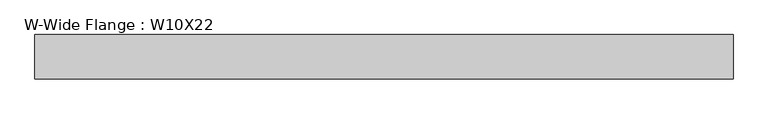
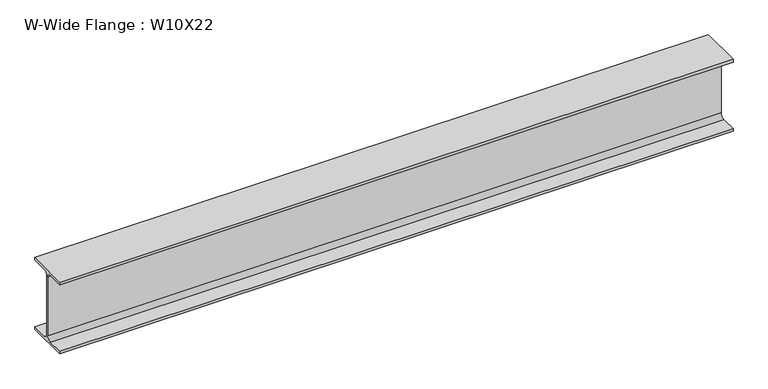
"""IFC4 building model written with IfcOpenShell, lengths in millimetres: beam geometry, W-Wide Flange : W10X22."""

import ifcopenshell
import ifcopenshell.guid

model = None  # the IFC model being written
_history = None  # IfcOwnerHistory: only IFC2X3 demands one
_inside = {}  # id of a spatial element -> (the spatial element, [elements in it])
_under = {}  # id of a project, library or spatial element -> (it, [spatial elements below it])
_declared = {}  # id of a project -> (the project, [libraries it declares])
_typed = {}  # id of a type object -> (the type object, [elements of that type])
_made_of = {}  # id of a material, layer set ... -> (it, [elements and type objects made of it])


def new_model(schema):
    """Start an empty IFC model of exactly this schema.

    Asked for "IFC4X3", IfcOpenShell would pick the latest addendum, in which some entities
    have other attributes; the version numbers below select the first issue.
    IFC2X3 requires an IfcOwnerHistory on every rooted entity: one is made here for all.
    """
    global model, _history
    if schema == "IFC4X3":
        model = ifcopenshell.file(schema_version=(4, 3, 0, 0))
    else:
        model = ifcopenshell.file(schema=schema)
    _inside.clear()
    _under.clear()
    _declared.clear()
    _typed.clear()
    _made_of.clear()
    _history = None
    if model.schema == "IFC2X3":
        org = make("IfcOrganization", Name="unknown")
        user = make(
            "IfcPersonAndOrganization",
            ThePerson=make("IfcPerson", FamilyName="unknown"),
            TheOrganization=org,
        )
        app = make(
            "IfcApplication",
            ApplicationDeveloper=org,
            Version="unknown",
            ApplicationFullName="unknown",
            ApplicationIdentifier="unknown",
        )
        _history = make(
            "IfcOwnerHistory",
            OwningUser=user,
            OwningApplication=app,
            ChangeAction="ADDED",
            CreationDate=0,
        )
    return model


def make(cls, **values):
    """One entity of the class cls with the attributes given. An attribute that is None is left unset."""
    return model.create_entity(
        cls, **{name: value for name, value in values.items() if value is not None}
    )


def rooted(cls, **values):
    """An entity with a GlobalId (a new one), such as an element, a storey or a relation."""
    return make(cls, GlobalId=ifcopenshell.guid.new(), OwnerHistory=_history, **values)


def si_unit(unit_type, name, prefix=None):
    """IfcSIUnit, for example si_unit("LENGTHUNIT", "METRE", prefix="MILLI")."""
    return make("IfcSIUnit", UnitType=unit_type, Prefix=prefix, Name=name)


def assignment(units):
    """IfcUnitAssignment: the units of a project."""
    return None if units is None else make("IfcUnitAssignment", Units=units)


def point(xyz):
    """IfcCartesianPoint."""
    return None if xyz is None else make("IfcCartesianPoint", Coordinates=xyz)


def direction(xyz):
    """IfcDirection."""
    return None if xyz is None else make("IfcDirection", DirectionRatios=xyz)


def frame(location, z_axis=None, x_axis=None):
    """IfcAxis2Placement3D, a coordinate frame: its origin and axes. An axis left out is left unset."""
    return make(
        "IfcAxis2Placement3D",
        Location=point(location),
        Axis=direction(z_axis),
        RefDirection=direction(x_axis),
    )


def frame_2d(location, x_axis=None):
    """IfcAxis2Placement2D, a coordinate frame in the plane: its origin and x axis."""
    return make(
        "IfcAxis2Placement2D", Location=point(location), RefDirection=direction(x_axis)
    )


def origin():
    """The frame at (0, 0, 0) with its axes left unset."""
    return frame((0.0, 0.0, 0.0))


def place(relative_to, where):
    """IfcLocalPlacement: puts the frame where relative to a parent placement (None: the world)."""
    return make(
        "IfcLocalPlacement", PlacementRelTo=relative_to, RelativePlacement=where
    )


def context(
    kind, dimensions, precision=None, world=None, true_north=None, identifier=None
):
    """IfcGeometricRepresentationContext, for example the 3D "Model" context."""
    return make(
        "IfcGeometricRepresentationContext",
        ContextIdentifier=identifier,
        ContextType=kind,
        CoordinateSpaceDimension=dimensions,
        Precision=precision,
        WorldCoordinateSystem=world,
        TrueNorth=true_north,
    )


def project(units=None, contexts=None):
    """IfcProject with its units and contexts."""
    return rooted(
        "IfcProject",
        Name="project",
        RepresentationContexts=contexts,
        UnitsInContext=assignment(units),
    )


def spatial(cls, under=None, at=None, **own):
    """A site, building, storey or space (cls), placed at a placement, below another one or the project."""
    s = rooted(cls, ObjectPlacement=at, **own)
    if under is not None:
        _under.setdefault(under.id(), (under, []))[1].append(s)
    return s


def polyline(points):
    """IfcPolyline through the points."""
    return make("IfcPolyline", Points=[point(p) for p in points])


def circle_curve(where, radius):
    """IfcCircle in the frame where."""
    return make("IfcCircle", Position=where, Radius=radius)


def trimmed(basis, trim1, trim2, sense, master):
    """IfcTrimmedCurve: the piece of a basis curve between two trims."""
    return make(
        "IfcTrimmedCurve",
        BasisCurve=basis,
        Trim1=trim1,
        Trim2=trim2,
        SenseAgreement=sense,
        MasterRepresentation=master,
    )


def segment(curve, same_sense, transition):
    """IfcCompositeCurveSegment."""
    return make(
        "IfcCompositeCurveSegment",
        Transition=transition,
        SameSense=same_sense,
        ParentCurve=curve,
    )


def composite_curve(segments, self_intersect=None):
    """IfcCompositeCurve: segments joined end to end."""
    return make("IfcCompositeCurve", Segments=segments, SelfIntersect=self_intersect)


def outline(outer, holes=None, kind="AREA"):
    """IfcArbitraryClosedProfileDef: a profile drawn as a closed curve; with holes, ...WithVoids."""
    if holes is None:
        return make("IfcArbitraryClosedProfileDef", ProfileType=kind, OuterCurve=outer)
    return make(
        "IfcArbitraryProfileDefWithVoids",
        ProfileType=kind,
        OuterCurve=outer,
        InnerCurves=holes,
    )


def extrude(swept, where, along, depth):
    """IfcExtrudedAreaSolid: the profile swept, set in the frame where, extruded along a direction by depth."""
    return make(
        "IfcExtrudedAreaSolid",
        SweptArea=swept,
        Position=where,
        ExtrudedDirection=direction(along),
        Depth=depth,
    )


def shape(context_of_items, identifier, shape_type, items):
    """IfcShapeRepresentation: the items that make up one representation, for example the "Body"."""
    return make(
        "IfcShapeRepresentation",
        ContextOfItems=context_of_items,
        RepresentationIdentifier=identifier,
        RepresentationType=shape_type,
        Items=items,
    )


def source(mapping_origin, context_of_items, identifier, shape_type, items):
    """IfcRepresentationMap: a shape defined once, which mapped items show again and again."""
    return make(
        "IfcRepresentationMap",
        MappingOrigin=mapping_origin,
        MappedRepresentation=shape(context_of_items, identifier, shape_type, items),
    )


def transform(
    local_origin,
    x_axis=None,
    y_axis=None,
    z_axis=None,
    scale=None,
    scale2=None,
    scale3=None,
    uniform=True,
):
    """IfcCartesianTransformationOperator3D, or its non-uniform kind. x_axis, y_axis, z_axis: its Axis1, 2, 3."""
    if uniform:
        return make(
            "IfcCartesianTransformationOperator3D",
            Axis1=direction(x_axis),
            Axis2=direction(y_axis),
            LocalOrigin=point(local_origin),
            Scale=scale,
            Axis3=direction(z_axis),
        )
    return make(
        "IfcCartesianTransformationOperator3DnonUniform",
        Axis1=direction(x_axis),
        Axis2=direction(y_axis),
        LocalOrigin=point(local_origin),
        Scale=scale,
        Axis3=direction(z_axis),
        Scale2=scale2,
        Scale3=scale3,
    )


def mapped(mapping_source, mapping_target):
    """IfcMappedItem: shows the shape of a source again, moved by a transform."""
    return make(
        "IfcMappedItem", MappingSource=mapping_source, MappingTarget=mapping_target
    )


def made_of(thing, what):
    """Note that an element or type object is made of a material, layer set ...; save() writes the relation."""
    if what is not None:
        _made_of.setdefault(what.id(), (what, []))[1].append(thing)
    return thing


def element(
    cls,
    number,
    at=None,
    inside=None,
    cuts=None,
    type_object=None,
    material=None,
    context=None,
    identifier="Body",
    shape_type=None,
    held_by="IfcProductDefinitionShape",
    body=None,
    shapes=None,
    **own,
):
    """One element of the class cls, such as IfcWall. Its Tag is "e" and its number.

    at: its placement. inside: the storey or other place that contains it. cuts: it is an
    opening in that element (IfcRelVoidsElement). A single representation is given by context,
    identifier, shape_type and body (its items); several are given by shapes. held_by: the class
    of the entity that holds the representations. save() writes the other relations.
    """
    e = rooted(cls, Tag="e%d" % number, ObjectPlacement=at, **own)
    if body is not None:
        shapes = [shape(context, identifier, shape_type, body)]
    if shapes is not None:
        e.Representation = make(held_by, Representations=shapes)
    if inside is not None:
        _inside.setdefault(inside.id(), (inside, []))[1].append(e)
    if cuts is not None:
        rooted(
            "IfcRelVoidsElement", RelatingBuildingElement=cuts, RelatedOpeningElement=e
        )
    if type_object is not None:
        _typed.setdefault(type_object.id(), (type_object, []))[1].append(e)
    return made_of(e, material)


def aggregate(whole, parts):
    """IfcRelAggregates: a whole, such as a stair, and the parts it consists of."""
    return rooted("IfcRelAggregates", RelatingObject=whole, RelatedObjects=parts)


def save(model, path):
    """Write the relations noted so far, then the file.

    IfcRelAggregates (storeys below a building ...), IfcRelContainedInSpatialStructure (elements
    in a storey), IfcRelDefinesByType, IfcRelAssociatesMaterial and IfcRelDeclares: one each for
    every whole, place, type object, material and project.
    """
    for whole, parts in _under.values():
        aggregate(whole, parts)
    for where, things in _inside.values():
        rooted(
            "IfcRelContainedInSpatialStructure",
            RelatedElements=things,
            RelatingStructure=where,
        )
    for kind, things in _typed.values():
        rooted("IfcRelDefinesByType", RelatedObjects=things, RelatingType=kind)
    for what, things in _made_of.values():
        rooted("IfcRelAssociatesMaterial", RelatedObjects=things, RelatingMaterial=what)
    for by, libraries in _declared.values():
        rooted("IfcRelDeclares", RelatingContext=by, RelatedDefinitions=libraries)
    model.write(path)


def w_wide_flange_w10x22_cb984a8a(model_context):
    return source(origin(), model_context, "Body", "SweptSolid", [
        extrude(outline(composite_curve([segment(polyline([(73.025, -120.4019531), (73.025, -129.5300781), (-73.025, -129.5300781), (-73.025, -120.4019531), (-17.7105469, -120.4019531)]), True, "CONTINUOUS"), segment(trimmed(circle_curve(frame_2d((-17.7105469, -105.7175781)), 14.684375), [point((-17.7105469, -120.4019531))], [point((-3.0261719, -105.7175781))], True, "CARTESIAN"), True, "CONTINUOUS"), segment(polyline([(-3.0261719, -105.7175781), (-3.0261719, 105.7175781)]), True, "CONTINUOUS"), segment(trimmed(circle_curve(frame_2d((-17.7105469, 105.7175781)), 14.684375), [point((-3.0261719, 105.7175781))], [point((-17.7105469, 120.4019531))], True, "CARTESIAN"), True, "CONTINUOUS"), segment(polyline([(-17.7105469, 120.4019531), (-73.025, 120.4019531), (-73.025, 129.5300781), (73.025, 129.5300781), (73.025, 120.4019531), (17.7105469, 120.4019531)]), True, "CONTINUOUS"), segment(trimmed(circle_curve(frame_2d((17.7105469, 105.7175781)), 14.684375), [point((17.7105469, 120.4019531))], [point((3.0261719, 105.7175781))], True, "CARTESIAN"), True, "CONTINUOUS"), segment(polyline([(3.0261719, 105.7175781), (3.0261719, -105.7175781)]), True, "CONTINUOUS"), segment(trimmed(circle_curve(frame_2d((17.7105469, -105.7175781)), 14.684375), [point((3.0261719, -105.7175781))], [point((17.7105469, -120.4019531))], True, "CARTESIAN"), True, "CONTINUOUS"), segment(polyline([(17.7105469, -120.4019531), (73.025, -120.4019531)]), True, "CONTINUOUS")], self_intersect=False)), frame((-1126.8769531, 0.0, 0.0), z_axis=(1.0, 0.0, 0.0), x_axis=(0.0, 1.0, 0.0)), (0.0, 0.0, 1.0), 2295.2769531),
    ])


if __name__ == "__main__":
    model = new_model("IFC4")
    model_context = context("Model", 3, world=origin())
    ifc_project = project(units=[si_unit("LENGTHUNIT", "METRE", prefix="MILLI")], contexts=[model_context])
    site = spatial("IfcSite", under=ifc_project)
    building = spatial("IfcBuilding", under=site)
    placement = place(None, origin())
    w_wide_flange_w10x22_shape = w_wide_flange_w10x22_cb984a8a(model_context)
    element("IfcBeam", 1, ObjectType="W-Wide Flange : W10X22", at=placement, inside=building, context=model_context, shape_type="MappedRepresentation", body=[
        mapped(w_wide_flange_w10x22_shape, transform((0.0, 0.0, 0.0), x_axis=(1.0, 0.0, 0.0), y_axis=(0.0, 1.0, 0.0), z_axis=(0.0, 0.0, 1.0))),
    ])
    save(model, "model.ifc")
